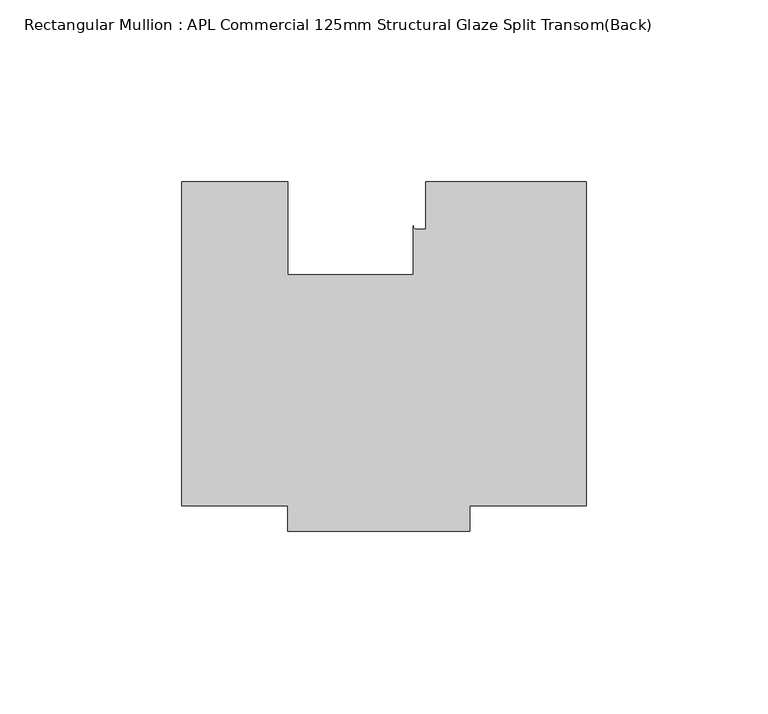
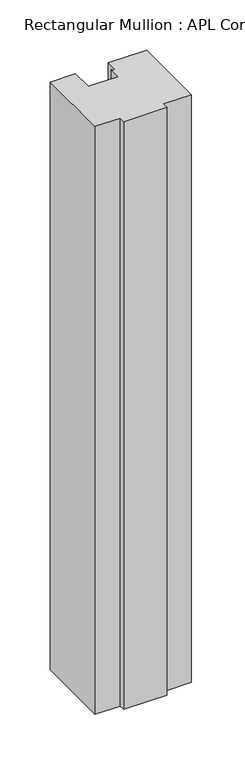
"""IFC4 building model written with IfcOpenShell, lengths in millimetres: member geometry, Rectangular Mullion : APL Commercial 125mm Structural Glaze Split Transom(Back)."""

from ifc_helpers import new_model, si_unit, point, frame, frame_2d, origin, place, context, project, spatial, polyline, circle_curve, trimmed, segment, composite_curve, outline, extrude, source, transform, mapped, element, save


def rectangular_mullion_apl_commercial_125mm_structural_glaze_c58989a7(model_context):
    return source(origin(), model_context, "Body", "SweptSolid", [
        extrude(outline(composite_curve([segment(polyline([(54.0000029, -15.0004617), (54.0000029, -104.0), (22.0028846, -104.0), (22.0028846, -111.0), (-27.9971154, -111.0), (-27.9971154, -103.9999439), (-57.0000004, -103.9999439), (-57.0000004, -15.0001793), (-28.0000482, -15.0001793), (-28.0000482, -40.499932), (6.5000029, -40.499932), (6.5000029, -27.0002131)]), True, "CONTINUOUS"), segment(trimmed(circle_curve(frame_2d((7.5000029, -27.0002131)), 1.0), [point((6.5000029, -27.0002131))], [point((7.5000029, -28.0002131))], True, "CARTESIAN"), True, "CONTINUOUS"), segment(polyline([(7.5000029, -28.0002131), (10.0000029, -28.0002131), (10.0000029, -15.0004617), (54.0000029, -15.0004617)]), True, "CONTINUOUS")], self_intersect=False)), frame((0.0, 0.0, -715.3626887), z_axis=(0.0, 0.0, 1.0), x_axis=(1.0, 0.0, 0.0)), (0.0, 0.0, 1.0), 715.3626887),
    ])


if __name__ == "__main__":
    model = new_model("IFC4")
    model_context = context("Model", 3, world=origin())
    ifc_project = project(units=[si_unit("LENGTHUNIT", "METRE", prefix="MILLI")], contexts=[model_context])
    site = spatial("IfcSite", under=ifc_project)
    building = spatial("IfcBuilding", under=site)
    placement = place(None, origin())
    rectangular_mullion_apl_commercial_125mm_structural_glaze_shape = rectangular_mullion_apl_commercial_125mm_structural_glaze_c58989a7(model_context)
    element("IfcMember", 1, ObjectType="Rectangular Mullion : APL Commercial 125mm Structural Glaze Split Transom(Back)", at=placement, inside=building, context=model_context, shape_type="MappedRepresentation", body=[
        mapped(rectangular_mullion_apl_commercial_125mm_structural_glaze_shape, transform((0.0, 0.0, 0.0), x_axis=(1.0, 0.0, 0.0), y_axis=(0.0, 1.0, 0.0), z_axis=(0.0, 0.0, 1.0))),
    ])
    save(model, "model.ifc")
